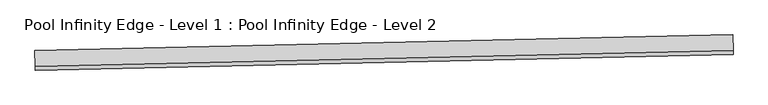
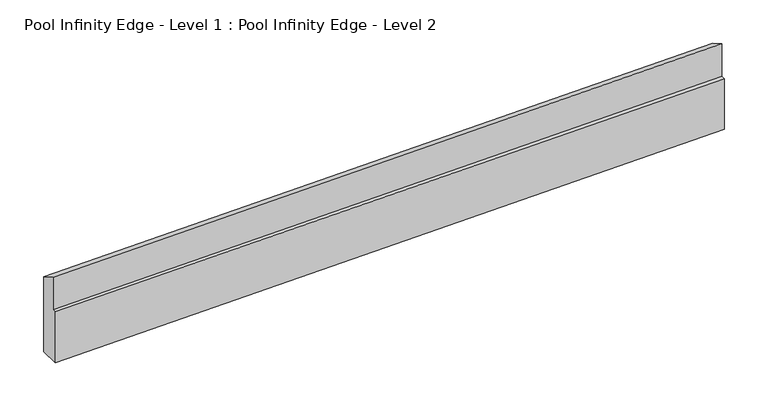
"""IFC4 building model written with IfcOpenShell, lengths in millimetres: beam geometry, Pool Infinity Edge - Level 1 : Pool Infinity Edge - Level 2."""

from ifc_helpers import new_model, si_unit, frame, origin, place, context, project, spatial, polyline, outline, extrude, source, transform, mapped, element, save


def pool_infinity_edge_level_1_pool_infinity_edge_level_2_bbbe4eb3(model_context):
    return source(origin(), model_context, "Body", "SweptSolid", [
        extrude(outline(polyline([(700.0, 0.0), (700.0, -249.9999999), (0.0, -249.9999999), (0.0, -199.9999999), (-450.0, -199.9999999), (-334.5299462, 0.0), (700.0, 0.0)])), frame((207313.5652178, 152837.7003367, 6400.0), z_axis=(0.9997418758068409, 0.022719633760669718, 0.0), x_axis=(0.0, 0.0, -1.0)), (0.0, 0.0, 1.0), 8828.2108473),
    ])


if __name__ == "__main__":
    model = new_model("IFC4")
    model_context = context("Model", 3, world=origin())
    ifc_project = project(units=[si_unit("LENGTHUNIT", "METRE", prefix="MILLI")], contexts=[model_context])
    site = spatial("IfcSite", under=ifc_project)
    building = spatial("IfcBuilding", under=site)
    placement = place(None, origin())
    pool_infinity_edge_level_1_pool_infinity_edge_level_2_shape = pool_infinity_edge_level_1_pool_infinity_edge_level_2_bbbe4eb3(model_context)
    element("IfcBeam", 1, ObjectType="Pool Infinity Edge - Level 1 : Pool Infinity Edge - Level 2", at=placement, inside=building, context=model_context, shape_type="MappedRepresentation", body=[
        mapped(pool_infinity_edge_level_1_pool_infinity_edge_level_2_shape, transform((0.0, 0.0, 0.0), x_axis=(1.0, 0.0, 0.0), y_axis=(0.0, 1.0, 0.0), z_axis=(0.0, 0.0, 1.0))),
    ])
    save(model, "model.ifc")
